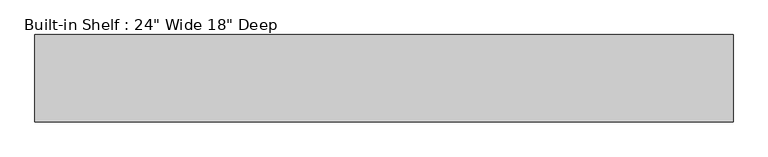
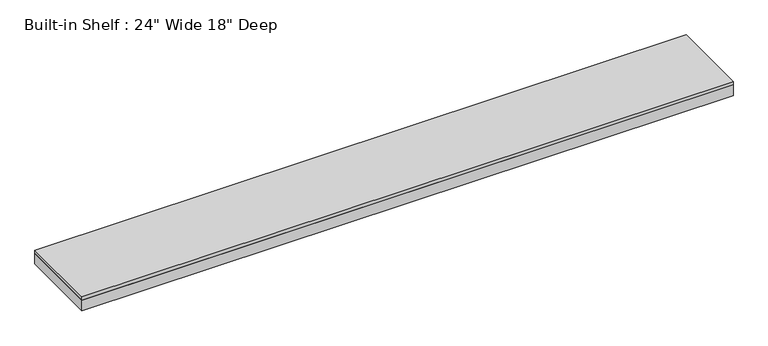
"""IFC4 building model written with IfcOpenShell, lengths in millimetres: furniture geometry."""

from ifc_helpers import new_model, si_unit, frame, origin, place, context, project, spatial, polyline, outline, extrude, source, transform, mapped, element, save


def furniture_f2896609(model_context):
    return source(origin(), model_context, "Body", "SweptSolid", [
        extrude(outline(polyline([(1825.2453834, 554.0375), (1825.2453834, 96.8375), (-1825.2453834, 96.8375), (-1825.2453834, 554.0375), (1825.2453834, 554.0375)])), frame((0.0, 0.0, 2114.55), z_axis=(0.0, 0.0, 1.0), x_axis=(1.0, 0.0, 0.0)), (0.0, 0.0, 1.0), 19.05),
        extrude(outline(polyline([(1825.2453834, 96.8375), (-1825.2453834, 96.8375), (-1825.2453834, 554.0375), (-1806.1953834, 554.0375), (-1806.1953834, 115.8875), (1806.1953834, 115.8875), (1806.1953834, 554.0375), (1825.2453834, 554.0375), (1825.2453834, 96.8375)])), frame((0.0, 0.0, 2051.05), z_axis=(0.0, 0.0, 1.0), x_axis=(1.0, 0.0, 0.0)), (0.0, 0.0, 1.0), 63.5),
    ])


if __name__ == "__main__":
    model = new_model("IFC4")
    model_context = context("Model", 3, world=origin())
    ifc_project = project(units=[si_unit("LENGTHUNIT", "METRE", prefix="MILLI")], contexts=[model_context])
    site = spatial("IfcSite", under=ifc_project)
    building = spatial("IfcBuilding", under=site)
    placement = place(None, origin())
    furniture_shape = furniture_f2896609(model_context)
    element("IfcFurniture", 1, ObjectType="Built-in Shelf : 24\" Wide 18\" Deep", at=placement, inside=building, context=model_context, shape_type="MappedRepresentation", body=[
        mapped(furniture_shape, transform((0.0, 0.0, 0.0), x_axis=(1.0, 0.0, 0.0), y_axis=(0.0, 1.0, 0.0), z_axis=(0.0, 0.0, 1.0))),
    ])
    save(model, "model.ifc")
